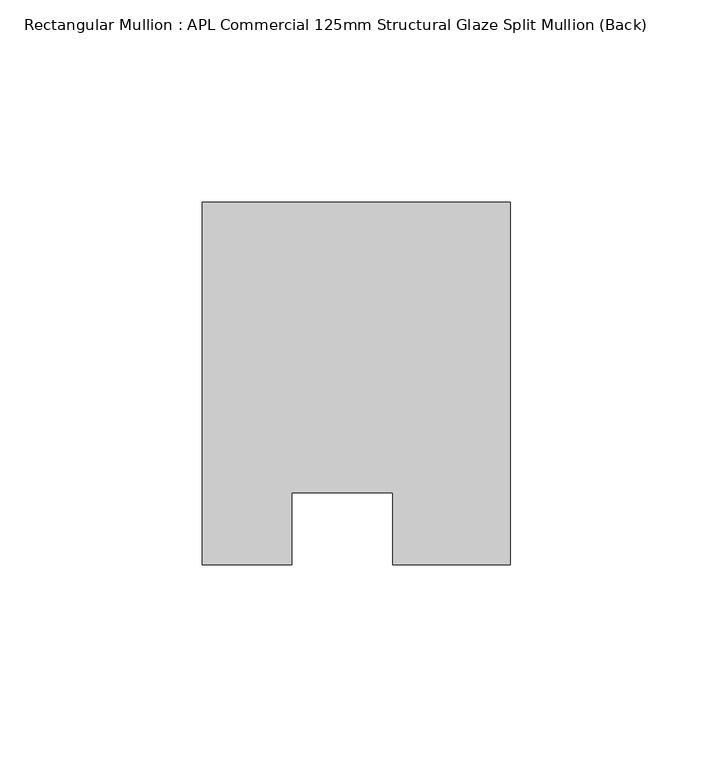
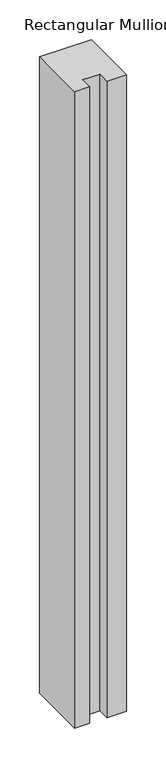
"""IFC4 building model written with IfcOpenShell, lengths in millimetres: member geometry, Rectangular Mullion : APL Commercial 125mm Structural Glaze Split Mullion (Back)."""

from ifc_helpers import new_model, si_unit, frame, origin, place, context, project, spatial, polyline, outline, extrude, source, transform, mapped, element, save


def rectangular_mullion_apl_commercial_125mm_structural_glaze_e70d7600(model_context):
    return source(origin(), model_context, "Body", "SweptSolid", [
        extrude(outline(polyline([(37.9999914, 104.4960123), (37.9999914, 14.9960123), (9.0, 14.9960123), (9.0, 32.7960123), (-16.0, 32.7960123), (-16.0, 14.9960123), (-37.9999896, 14.9960123), (-37.9999896, 104.4960123), (37.9999914, 104.4960123)])), frame((0.0, 0.0, -983.346945), z_axis=(0.0, 0.0, 1.0), x_axis=(1.0, 0.0, 0.0)), (0.0, 0.0, 1.0), 983.346945),
    ])


if __name__ == "__main__":
    model = new_model("IFC4")
    model_context = context("Model", 3, world=origin())
    ifc_project = project(units=[si_unit("LENGTHUNIT", "METRE", prefix="MILLI")], contexts=[model_context])
    site = spatial("IfcSite", under=ifc_project)
    building = spatial("IfcBuilding", under=site)
    placement = place(None, origin())
    rectangular_mullion_apl_commercial_125mm_structural_glaze_shape = rectangular_mullion_apl_commercial_125mm_structural_glaze_e70d7600(model_context)
    element("IfcMember", 1, ObjectType="Rectangular Mullion : APL Commercial 125mm Structural Glaze Split Mullion (Back)", at=placement, inside=building, context=model_context, shape_type="MappedRepresentation", body=[
        mapped(rectangular_mullion_apl_commercial_125mm_structural_glaze_shape, transform((0.0, 0.0, 0.0), x_axis=(1.0, 0.0, 0.0), y_axis=(0.0, 1.0, 0.0), z_axis=(0.0, 0.0, 1.0))),
    ])
    save(model, "model.ifc")
